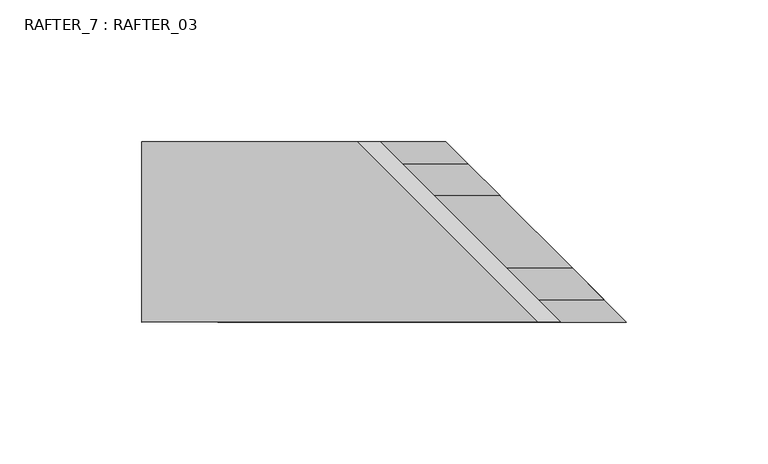
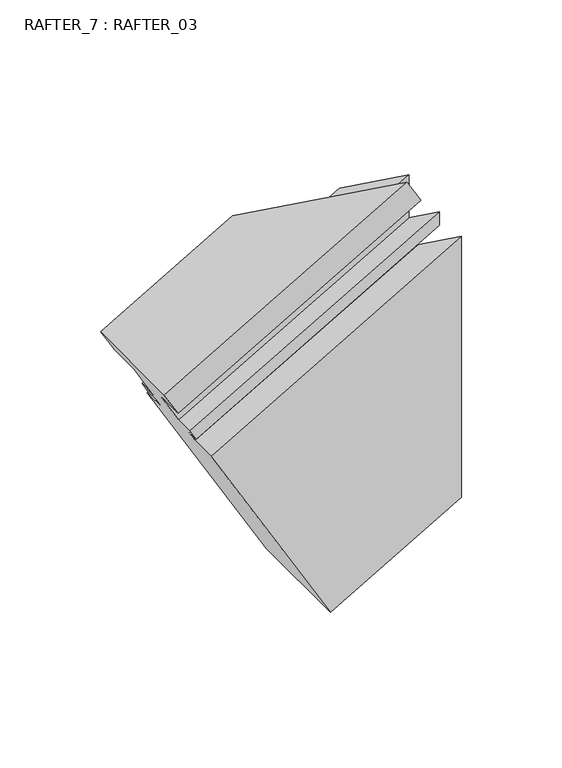
"""IFC4 building model written with IfcOpenShell, lengths in millimetres: proxy geometry, RAFTER_7 : RAFTER_03."""

from ifc_helpers import new_model, si_unit, origin, place, context, project, spatial, faceted_brep, source, transform, mapped, element, save


def rafter_7_rafter_03_cf78baed(model_context):
    return source(origin(), model_context, "Body", "Brep", [
        faceted_brep([(2516.8661457, -9744.853144, 1717.675), (2516.8661457, -9681.353144, 1717.675), (2524.8750832, -9681.353144, 1703.8031133), (2524.8750832, -9700.403144, 1703.8031133), (2536.1145832, -9700.403144, 1684.3357283), (2536.1145832, -9689.277944, 1684.3357283), (2539.6959832, -9689.277944, 1678.1325615), (2539.6959832, -9697.228144, 1678.1325615), (2543.6456832, -9697.228144, 1671.2914804), (2543.6456832, -9681.353144, 1671.2914804), (2612.3145832, -9681.353144, 1552.3534567), (2612.3145832, -9744.853144, 1552.3534567), (2543.6456832, -9744.853144, 1671.2914804), (2543.6456832, -9728.978144, 1671.2914804), (2539.6959832, -9728.978144, 1678.1325615), (2539.6959832, -9736.928344, 1678.1325615), (2536.1145832, -9736.928344, 1684.3357283), (2536.1145832, -9725.803144, 1684.3357283), (2524.8750832, -9725.803144, 1703.8031133), (2524.8750832, -9744.853144, 1703.8031133), (2664.3214918, -9744.853144, 1784.3125349), (2656.3125543, -9744.853144, 1798.1844215), (2645.2714918, -9725.803144, 1773.3140122), (2668.5161546, -9725.803144, 1760.7778112), (2668.513301, -9725.803144, 1786.732677), (2679.6413546, -9736.928344, 1767.2009484), (2679.6422639, -9736.928344, 1758.9305843), (2671.6920639, -9728.978144, 1754.3405342), (2671.6930667, -9728.978144, 1745.2196718), (2687.5680667, -9744.853144, 1754.3851073), (2687.585501, -9744.853144, 1595.8111414), (2624.085501, -9681.353144, 1559.1493993), (2624.0680667, -9681.353144, 1717.7233652), (2639.9430667, -9697.228144, 1726.8888007), (2639.9420639, -9697.228144, 1736.0096632), (2631.9918639, -9689.277944, 1731.4196131), (2631.9909546, -9689.277944, 1739.6899771), (2643.1161546, -9700.403144, 1746.1131143), (2619.8714918, -9700.403144, 1758.6493154), (2643.0608691, -9700.403144, 1772.1587949), (2600.8214918, -9681.353144, 1747.6507928), (2592.8125543, -9681.353144, 1761.5226794)], [[[0, 1, 2, 3, 4, 5, 6, 7, 8, 9, 10, 11, 12, 13, 14, 15, 16, 17, 18, 19]], [[0, 19, 20, 21]], [[19, 18, 22, 20]], [[18, 17, 23, 24, 22]], [[17, 16, 25, 23]], [[16, 15, 26, 25]], [[15, 14, 27, 26]], [[14, 13, 28, 27]], [[13, 12, 29, 28]], [[12, 11, 30, 29]], [[11, 10, 31, 30]], [[10, 9, 32, 31]], [[9, 8, 33, 32]], [[8, 7, 34, 33]], [[7, 6, 35, 34]], [[6, 5, 36, 35]], [[5, 4, 37, 36]], [[4, 3, 38, 39, 37]], [[3, 2, 40, 38]], [[2, 1, 41, 40]], [[1, 0, 21, 41]], [[24, 23, 25, 26, 27, 28, 29, 30, 31, 32, 33, 34, 35, 36, 37, 39]], [[22, 38, 40, 41, 21, 20]], [[38, 22, 24, 39]]]),
    ])


if __name__ == "__main__":
    model = new_model("IFC4")
    model_context = context("Model", 3, world=origin())
    ifc_project = project(units=[si_unit("LENGTHUNIT", "METRE", prefix="MILLI")], contexts=[model_context])
    site = spatial("IfcSite", under=ifc_project)
    building = spatial("IfcBuilding", under=site)
    placement = place(None, origin())
    rafter_7_rafter_03_shape = rafter_7_rafter_03_cf78baed(model_context)
    element("IfcBuildingElementProxy", 1, Name="RAFTER_7 : RAFTER_03", ObjectType="RAFTER_7 : RAFTER_03", at=placement, inside=building, context=model_context, shape_type="MappedRepresentation", body=[
        mapped(rafter_7_rafter_03_shape, transform((0.0, 0.0, 0.0), x_axis=(1.0, 0.0, 0.0), y_axis=(0.0, 1.0, 0.0), z_axis=(0.0, 0.0, 1.0))),
    ])
    save(model, "model.ifc")
